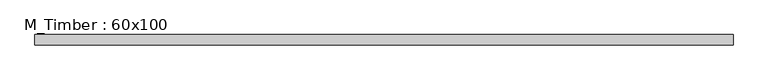
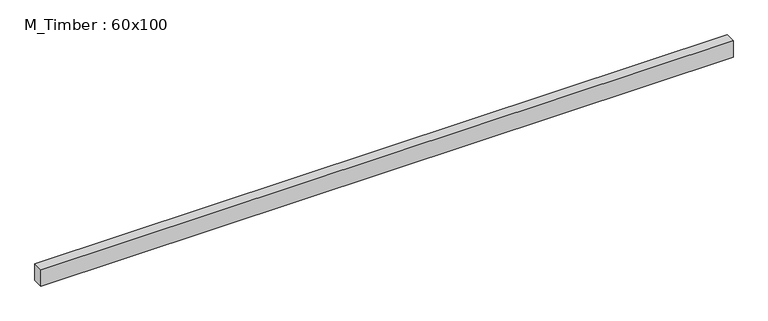
"""IFC4 building model written with IfcOpenShell, lengths in millimetres: beam geometry, M_Timber : 60x100."""

from ifc_helpers import new_model, si_unit, frame, origin, place, context, project, spatial, polyline, outline, extrude, source, transform, mapped, element, save


def m_timber_60x100_c343dc67(model_context):
    return source(origin(), model_context, "Body", "SweptSolid", [
        extrude(outline(polyline([(1890.6366376, 30.0), (1890.6366376, -30.0), (-2083.9713178, -30.0), (-2083.9713178, 30.0), (1890.6366376, 30.0)])), frame((0.0, 0.0, -50.0), z_axis=(0.0, 0.0, 1.0), x_axis=(1.0, 0.0, 0.0)), (0.0, 0.0, 1.0), 100.0),
    ])


if __name__ == "__main__":
    model = new_model("IFC4")
    model_context = context("Model", 3, world=origin())
    ifc_project = project(units=[si_unit("LENGTHUNIT", "METRE", prefix="MILLI")], contexts=[model_context])
    site = spatial("IfcSite", under=ifc_project)
    building = spatial("IfcBuilding", under=site)
    placement = place(None, origin())
    m_timber_60x100_shape = m_timber_60x100_c343dc67(model_context)
    element("IfcBeam", 1, ObjectType="M_Timber : 60x100", at=placement, inside=building, context=model_context, shape_type="MappedRepresentation", body=[
        mapped(m_timber_60x100_shape, transform((0.0, 0.0, 0.0), x_axis=(1.0, 0.0, 0.0), y_axis=(0.0, 1.0, 0.0), z_axis=(0.0, 0.0, 1.0))),
    ])
    save(model, "model.ifc")
